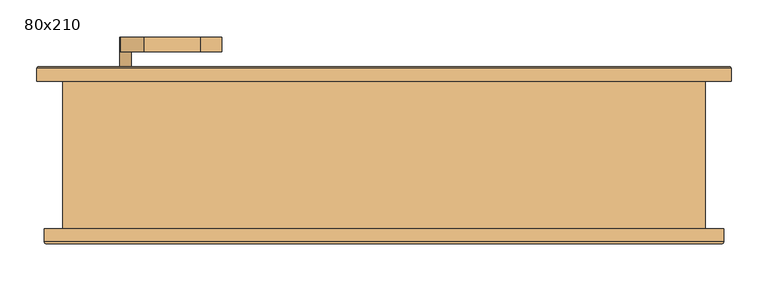
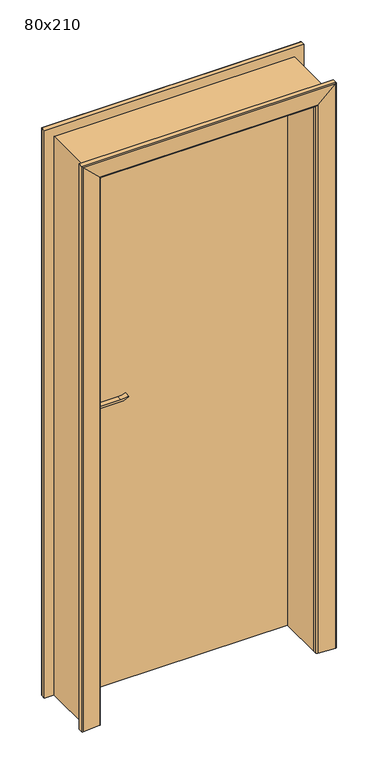
"""IFC4 building model written with IfcOpenShell, lengths in millimetres: door geometry, 80x210."""

from ifc_helpers import new_model, si_unit, point, frame, frame_2d, origin, origin_with_axes, place, context, project, spatial, polyline, circle_curve, ellipse_curve, trimmed, segment, composite_curve, outline, extrude, faceted_brep, source, transform, mapped, element, save
from ifc_brep_helpers import plane_surface, cylinder_surface, advanced_brep


def door_80x210_e9de2388(model_context):
    return source(origin(), model_context, "Body", "SolidModel", [
        extrude(outline(composite_curve([segment(trimmed(circle_curve(frame_2d((1040.0, -350.0)), 15.0), [point((1040.0, -335.0))], [point((1040.0, -365.0))], False, "CARTESIAN"), True, "CONTINUOUS"), segment(trimmed(circle_curve(frame_2d((1040.0, -350.0)), 15.0), [point((1040.0, -365.0))], [point((1040.0, -335.0))], False, "CARTESIAN"), True, "CONTINUOUS")], self_intersect=False)), frame((0.0, 45.0, 0.0), z_axis=(0.0, 1.0, 0.0), x_axis=(0.0, 0.0, 1.0)), (0.0, 0.0, 1.0), 10.0),
        extrude(outline(composite_curve([segment(trimmed(circle_curve(frame_2d((1040.0, -350.0)), 15.0), [point((1040.0, -335.0))], [point((1040.0, -365.0))], False, "CARTESIAN"), True, "CONTINUOUS"), segment(trimmed(circle_curve(frame_2d((1040.0, -350.0)), 15.0), [point((1040.0, -365.0))], [point((1040.0, -335.0))], False, "CARTESIAN"), True, "CONTINUOUS")], self_intersect=False)), frame((0.0, 110.0, 0.0), z_axis=(0.0, 1.0, 0.0), x_axis=(0.0, 0.0, 1.0)), (0.0, 0.0, 1.0), 10.0),
        extrude(outline(composite_curve([segment(trimmed(circle_curve(frame_2d((1100.0, -350.0)), 8.0), [point((1104.6523287, -356.5081363))], [point((1100.0, -342.0))], False, "CARTESIAN"), True, "CONTINUOUS"), segment(trimmed(circle_curve(frame_2d((1094.8738613, -324.6138099)), 18.1261387), [point((1100.0, -342.0))], [point((1113.0, -324.6138099))], True, "CARTESIAN"), True, "CONTINUOUS"), segment(polyline([(1113.0, -324.6138099), (1113.0, -248.3564091)]), True, "CONTINUOUS"), segment(trimmed(circle_curve(frame_2d((1172.2709207, -251.9396612)), 59.3791355), [point((1113.0, -248.3564091))], [point((1122.2135558, -220.0))], False, "CARTESIAN"), True, "CONTINUOUS"), segment(polyline([(1122.2135558, -220.0), (1125.0, -220.0)]), True, "CONTINUOUS"), segment(trimmed(circle_curve(frame_2d((1203.2850638, -248.4227909)), 83.2850902), [point((1125.0, -220.0))], [point((1120.0, -248.3564091))], True, "CARTESIAN"), True, "CONTINUOUS"), segment(polyline([(1120.0, -248.3564091), (1120.0, -324.6325667)]), True, "CONTINUOUS"), segment(trimmed(circle_curve(frame_2d((1082.7555521, -326.3324871)), 37.2832219), [point((1120.0, -324.6325667))], [point((1104.6523287, -356.5081363))], False, "CARTESIAN"), True, "CONTINUOUS")], self_intersect=False)), frame((0.0, 5.0, 0.0), z_axis=(0.0, 1.0, 0.0), x_axis=(0.0, 0.0, 1.0)), (0.0, 0.0, 1.0), 20.0),
        extrude(outline(composite_curve([segment(trimmed(circle_curve(frame_2d((1094.8738682, -324.6138122)), 18.1261318), [point((1099.9999903, -342.0))], [point((1113.0, -324.6138122))], True, "CARTESIAN"), True, "CONTINUOUS"), segment(polyline([(1113.0, -324.6138122), (1113.0, -248.3564091)]), True, "CONTINUOUS"), segment(trimmed(circle_curve(frame_2d((1172.2709207, -251.9396612)), 59.3791355), [point((1113.0, -248.3564091))], [point((1122.2135558, -220.0))], False, "CARTESIAN"), True, "CONTINUOUS"), segment(polyline([(1122.2135558, -220.0), (1125.0, -220.0)]), True, "CONTINUOUS"), segment(trimmed(circle_curve(frame_2d((1203.2850638, -248.4227909)), 83.2850902), [point((1125.0, -220.0))], [point((1120.0, -248.3564091))], True, "CARTESIAN"), True, "CONTINUOUS"), segment(polyline([(1120.0, -248.3564091), (1120.0, -324.6325667)]), True, "CONTINUOUS"), segment(trimmed(circle_curve(frame_2d((1082.7555521, -326.3324871)), 37.2832219), [point((1120.0, -324.6325667))], [point((1104.6523287, -356.5081363))], False, "CARTESIAN"), True, "CONTINUOUS"), segment(trimmed(circle_curve(frame_2d((1100.0, -350.0)), 8.0), [point((1104.6523287, -356.5081363))], [point((1099.9999903, -342.0))], False, "CARTESIAN"), True, "CONTINUOUS")], self_intersect=False)), frame((0.0, 140.0, 0.0), z_axis=(0.0, 1.0, 0.0), x_axis=(0.0, 0.0, 1.0)), (0.0, 0.0, 1.0), 20.0),
        extrude(outline(composite_curve([segment(trimmed(circle_curve(frame_2d((1100.0, -350.0)), 8.0), [point((1100.0, -342.0))], [point((1100.0, -358.0))], False, "CARTESIAN"), True, "CONTINUOUS"), segment(trimmed(circle_curve(frame_2d((1100.0, -350.0)), 8.0), [point((1100.0, -358.0))], [point((1100.0, -342.0))], False, "CARTESIAN"), True, "CONTINUOUS")], self_intersect=False)), frame((0.0, 25.0, 0.0), z_axis=(0.0, 1.0, 0.0), x_axis=(0.0, 0.0, 1.0)), (0.0, 0.0, 1.0), 30.0),
        extrude(outline(composite_curve([segment(trimmed(circle_curve(frame_2d((1100.0, -350.0)), 8.0), [point((1100.0, -342.0))], [point((1100.0, -358.0))], False, "CARTESIAN"), True, "CONTINUOUS"), segment(trimmed(circle_curve(frame_2d((1100.0, -350.0)), 8.0), [point((1100.0, -358.0))], [point((1100.0, -342.0))], False, "CARTESIAN"), True, "CONTINUOUS")], self_intersect=False)), frame((0.0, 110.0, 0.0), z_axis=(0.0, 1.0, 0.0), x_axis=(0.0, 0.0, 1.0)), (0.0, 0.0, 1.0), 30.0),
        extrude(outline(composite_curve([segment(trimmed(circle_curve(frame_2d((1030.0, -350.0)), 25.0), [point((1030.0, -375.0))], [point((1030.0, -325.0))], False, "CARTESIAN"), True, "CONTINUOUS"), segment(polyline([(1030.0, -325.0), (1100.0, -325.0)]), True, "CONTINUOUS"), segment(trimmed(circle_curve(frame_2d((1100.0, -350.0)), 25.0), [point((1100.0, -325.0))], [point((1100.0, -375.0))], False, "CARTESIAN"), True, "CONTINUOUS"), segment(polyline([(1100.0, -375.0), (1030.0, -375.0)]), True, "CONTINUOUS")], self_intersect=False)), frame((0.0, 55.0, 0.0), z_axis=(0.0, 1.0, 0.0), x_axis=(0.0, 0.0, 1.0)), (0.0, 0.0, 1.0), 10.0),
        extrude(outline(composite_curve([segment(trimmed(circle_curve(frame_2d((1030.0, -350.0)), 25.0), [point((1030.0, -375.0))], [point((1030.0, -325.0))], False, "CARTESIAN"), True, "CONTINUOUS"), segment(polyline([(1030.0, -325.0), (1100.0, -325.0)]), True, "CONTINUOUS"), segment(trimmed(circle_curve(frame_2d((1100.0, -350.0)), 25.0), [point((1100.0, -325.0))], [point((1100.0, -375.0))], False, "CARTESIAN"), True, "CONTINUOUS"), segment(polyline([(1100.0, -375.0), (1030.0, -375.0)]), True, "CONTINUOUS")], self_intersect=False)), frame((0.0, 100.0, 0.0), z_axis=(0.0, 1.0, 0.0), x_axis=(0.0, 0.0, 1.0)), (0.0, 0.0, 1.0), 10.0),
        extrude(outline(polyline([(400.0, 65.0), (-400.0, 65.0), (-400.0, 100.0), (400.0, 100.0), (400.0, 65.0)])), origin_with_axes(), (0.0, 0.0, 1.0), 2100.0),
        advanced_brep(
        [(460.0, -100.0, 0.0), (460.0, -117.3003068, 0.0), (457.3082588, -119.792943, 0.0), (395.0, -115.0, 0.0), (390.0, -110.0, 0.0), (390.0, -100.0, 0.0), (390.0, -100.0, 2090.0), (-390.0, -100.0, 2090.0), (-390.0, -100.0, 0.0), (-460.0, -100.0, 0.0), (-460.0, -100.0, 2160.0), (460.0, -100.0, 2160.0), (390.0, -110.0, 2090.0), (395.0, -115.0, 2095.0), (457.3082588, -119.792943, 2157.3082588), (460.0, -117.3003068, 2160.0), (-460.0, -117.3003068, 0.0), (-460.0, -117.3003068, 2160.0), (-390.0, -110.0, 0.0), (-395.0, -115.0, 0.0), (-457.3082588, -119.792943, 0.0), (-390.0, -110.0, 2090.0), (-457.3082588, -119.792943, 2157.3082588), (-395.0, -115.0, 2095.0)],
        [
            (0, 1),
            (1, 2, circle_curve(frame((457.5, -117.3003068, 0.0), z_axis=(0.0, 0.0, -1.0), x_axis=(0.0, -1.0, 0.0)), 2.5)),
            (2, 3),
            (3, 4, circle_curve(frame((395.0, -110.0, 0.0), z_axis=(0.0, 0.0, -1.0), x_axis=(0.0, -1.0, 0.0)), 5.0)),
            (4, 5),
            (5, 0),
            (5, 6),
            (6, 7),
            (7, 8),
            (8, 9),
            (9, 10),
            (10, 11),
            (11, 0),
            (4, 12),
            (12, 6),
            (3, 13),
            (13, 12, ellipse_curve(frame((395.0, -110.0, 2095.0), z_axis=(0.7071067811865475, 0.0, -0.7071067811865475), x_axis=(-0.7071067811865474, 0.0, -0.7071067811865476)), 7.0710678, 5.0)),
            (2, 14),
            (14, 13),
            (1, 15),
            (15, 14, ellipse_curve(frame((457.5, -117.3003068, 2157.5), z_axis=(0.7071067811865475, 0.0, -0.7071067811865475), x_axis=(-0.7071067811865474, 0.0, -0.7071067811865476)), 3.5355339, 2.5)),
            (11, 15),
            (9, 16),
            (16, 17),
            (17, 10),
            (8, 18),
            (18, 19, circle_curve(frame((-395.0, -110.0, 0.0), z_axis=(0.0, 0.0, -1.0), x_axis=(0.0, -1.0, 0.0)), 5.0)),
            (19, 20),
            (20, 16, circle_curve(frame((-457.5, -117.3003068, 0.0), z_axis=(0.0, 0.0, -1.0), x_axis=(0.0, -1.0, 0.0)), 2.5)),
            (21, 18),
            (7, 21),
            (20, 22),
            (22, 17, ellipse_curve(frame((-457.5, -117.3003068, 2157.5), z_axis=(-0.7071067811865475, 0.0, -0.7071067811865475), x_axis=(-0.7071067811865474, 0.0, 0.7071067811865476)), 3.5355339, 2.5)),
            (19, 23),
            (23, 22),
            (21, 23, ellipse_curve(frame((-395.0, -110.0, 2095.0), z_axis=(-0.7071067811865475, 0.0, -0.7071067811865475), x_axis=(-0.7071067811865474, 0.0, 0.7071067811865476)), 7.0710678, 5.0)),
            (12, 21),
            (13, 23),
            (14, 22),
            (15, 17),
        ],
        [
            plane_surface(frame((390.0, -100.0, 0.0), z_axis=(0.0, 0.0, -1.0), x_axis=(-1.0, 0.0, 0.0))),
            plane_surface(frame((460.0, -100.0, 0.0), z_axis=(0.0, 1.0, 0.0), x_axis=(0.0, 0.0, 1.0))),
            plane_surface(frame((390.0, -100.0, 0.0), z_axis=(-1.0, 0.0, 0.0), x_axis=(0.0, 0.0, 1.0))),
            cylinder_surface(frame((395.0, -110.0, 0.0), z_axis=(0.0, 0.0, -1.0), x_axis=(0.0, -1.0, 0.0)), 5.0),
            plane_surface(frame((395.0, -115.0, 0.0), z_axis=(-0.07669649888474349, -0.9970544855015812, 0.0), x_axis=(0.0, 0.0, 1.0))),
            cylinder_surface(frame((457.5, -117.3003068, 0.0), z_axis=(0.0, 0.0, -1.0), x_axis=(0.0, -1.0, 0.0)), 2.5),
            plane_surface(frame((460.0, -117.3003068, 0.0), z_axis=(1.0, 0.0, 0.0), x_axis=(0.0, 0.0, 1.0))),
            plane_surface(frame((-460.0, -117.3003068, 2160.0), z_axis=(-1.0, 0.0, 0.0), x_axis=(0.0, 0.0, -1.0))),
            plane_surface(frame((-390.0, -100.0, 0.0), z_axis=(0.0, 0.0, -1.0), x_axis=(1.0, 0.0, 0.0))),
            plane_surface(frame((-390.0, -100.0, 2090.0), z_axis=(1.0, 0.0, 0.0), x_axis=(0.0, 0.0, -1.0))),
            cylinder_surface(frame((-457.5, -117.3003068, 2090.0), z_axis=(0.0, 0.0, 1.0), x_axis=(0.0, -1.0, 0.0)), 2.5),
            plane_surface(frame((-395.0, -115.0, 2095.0), z_axis=(0.07669649888474349, -0.9970544855015812, 0.0), x_axis=(0.0, 0.0, -1.0))),
            cylinder_surface(frame((-395.0, -110.0, 2090.0), z_axis=(0.0, 0.0, 1.0), x_axis=(0.0, -1.0, 0.0)), 5.0),
            plane_surface(frame((390.0, -100.0, 2090.0), z_axis=(0.0, 0.0, -1.0), x_axis=(-1.0, 0.0, 0.0))),
            cylinder_surface(frame((390.0, -110.0, 2095.0), z_axis=(1.0, 0.0, 0.0), x_axis=(0.0, -1.0, 0.0)), 5.0),
            plane_surface(frame((395.0, -115.0, 2095.0), z_axis=(0.0, -0.9970544855015812, -0.07669649888474349), x_axis=(-1.0, 0.0, 0.0))),
            cylinder_surface(frame((390.0, -117.3003068, 2157.5), z_axis=(1.0, 0.0, 0.0), x_axis=(0.0, -1.0, 0.0)), 2.5),
            plane_surface(frame((460.0, -117.3003068, 2160.0), z_axis=(0.0, 0.0, 1.0), x_axis=(-1.0, 0.0, 0.0))),
        ],
        [
            (0, [[1, 2, 3, 4, 5, 6]]),
            (1, [[7, 8, 9, 10, 11, 12, 13, -6]]),
            (2, [[14, 15, -7, -5]]),
            (3, [[16, 17, -14, -4]]),
            (4, [[18, 19, -16, -3]]),
            (5, [[20, 21, -18, -2]]),
            (6, [[-13, 22, -20, -1]]),
            (7, [[-11, 23, 24, 25]]),
            (8, [[-10, 26, 27, 28, 29, -23]]),
            (9, [[30, -26, -9, 31]]),
            (10, [[-24, -29, 32, 33]]),
            (11, [[-32, -28, 34, 35]]),
            (12, [[-34, -27, -30, 36]]),
            (13, [[37, -31, -8, -15]]),
            (14, [[38, -36, -37, -17]]),
            (15, [[39, -35, -38, -19]]),
            (16, [[40, -33, -39, -21]]),
            (17, [[-12, -25, -40, -22]]),
        ],
    ),
        advanced_brep(
        [(470.0, 100.0, 0.0), (400.0, 100.0, 0.0), (400.0, 110.0, 0.0), (405.0, 115.0, 0.0), (467.3082588, 119.792943, 0.0), (470.0, 117.3003068, 0.0), (470.0, 117.3003068, 2170.0), (470.0, 100.0, 2170.0), (467.3082588, 119.792943, 2167.3082588), (405.0, 115.0, 2105.0), (400.0, 110.0, 2100.0), (400.0, 100.0, 2100.0), (-470.0, 100.0, 2170.0), (-470.0, 100.0, 0.0), (-400.0, 100.0, 0.0), (-400.0, 100.0, 2100.0), (-400.0, 110.0, 0.0), (-400.0, 110.0, 2100.0), (-470.0, 117.3003068, 0.0), (-467.3082588, 119.792943, 0.0), (-405.0, 115.0, 0.0), (-470.0, 117.3003068, 2170.0), (-405.0, 115.0, 2105.0), (-467.3082588, 119.792943, 2167.3082588)],
        [
            (0, 1),
            (1, 2),
            (2, 3, circle_curve(frame((405.0, 110.0, 0.0), z_axis=(0.0, 0.0, -1.0), x_axis=(0.0, 1.0, 0.0)), 5.0)),
            (3, 4),
            (4, 5, circle_curve(frame((467.5, 117.3003068, 0.0), z_axis=(0.0, 0.0, -1.0), x_axis=(0.0, 1.0, 0.0)), 2.5)),
            (5, 0),
            (5, 6),
            (6, 7),
            (7, 0),
            (4, 8),
            (8, 6, ellipse_curve(frame((467.5, 117.3003068, 2167.5), z_axis=(0.7071067811865474, 0.0, -0.7071067811865476), x_axis=(-0.7071067811865475, 0.0, -0.7071067811865475)), 3.5355339, 2.5)),
            (3, 9),
            (9, 8),
            (2, 10),
            (10, 9, ellipse_curve(frame((405.0, 110.0, 2105.0), z_axis=(0.7071067811865474, 0.0, -0.7071067811865476), x_axis=(-0.7071067811865475, 0.0, -0.7071067811865475)), 7.0710678, 5.0)),
            (1, 11),
            (11, 10),
            (7, 12),
            (12, 13),
            (13, 14),
            (14, 15),
            (15, 11),
            (14, 16),
            (16, 17),
            (17, 15),
            (13, 18),
            (18, 19, circle_curve(frame((-467.5, 117.3003068, 0.0), z_axis=(0.0, 0.0, -1.0), x_axis=(0.0, 1.0, 0.0)), 2.5)),
            (19, 20),
            (20, 16, circle_curve(frame((-405.0, 110.0, 0.0), z_axis=(0.0, 0.0, -1.0), x_axis=(0.0, 1.0, 0.0)), 5.0)),
            (21, 18),
            (12, 21),
            (20, 22),
            (22, 17, ellipse_curve(frame((-405.0, 110.0, 2105.0), z_axis=(-0.7071067811865476, 0.0, -0.7071067811865474), x_axis=(-0.7071067811865471, 0.0, 0.7071067811865478)), 7.0710678, 5.0)),
            (19, 23),
            (23, 22),
            (21, 23, ellipse_curve(frame((-467.5, 117.3003068, 2167.5), z_axis=(-0.7071067811865476, 0.0, -0.7071067811865474), x_axis=(-0.7071067811865471, 0.0, 0.7071067811865478)), 3.5355339, 2.5)),
            (6, 21),
            (8, 23),
            (9, 22),
            (10, 17),
        ],
        [
            plane_surface(frame((400.0, 100.0, 0.0), z_axis=(0.0, 0.0, -1.0), x_axis=(-1.0, 0.0, 0.0))),
            plane_surface(frame((470.0, 100.0, 0.0), z_axis=(1.0, 0.0, 0.0), x_axis=(0.0, 0.0, 1.0))),
            cylinder_surface(frame((467.5, 117.3003068, 0.0), z_axis=(0.0, 0.0, -1.0), x_axis=(0.0, 1.0, 0.0)), 2.5),
            plane_surface(frame((467.3082588, 119.792943, 0.0), z_axis=(-0.07669649888474349, 0.9970544855015812, 0.0), x_axis=(0.0, 0.0, 1.0))),
            cylinder_surface(frame((405.0, 110.0, 0.0), z_axis=(0.0, 0.0, -1.0), x_axis=(0.0, 1.0, 0.0)), 5.0),
            plane_surface(frame((400.0, 110.0, 0.0), z_axis=(-1.0, 0.0, 0.0), x_axis=(0.0, 0.0, 1.0))),
            plane_surface(frame((400.0, 100.0, 0.0), z_axis=(0.0, -1.0, 0.0), x_axis=(0.0, 0.0, 1.0))),
            plane_surface(frame((-400.0, 110.0, 2100.0), z_axis=(1.0, 0.0, 0.0), x_axis=(0.0, 0.0, -1.0))),
            plane_surface(frame((-400.0, 100.0, 0.0), z_axis=(0.0, 0.0, -1.0), x_axis=(1.0, 0.0, 0.0))),
            plane_surface(frame((-470.0, 100.0, 2170.0), z_axis=(-1.0, 0.0, 0.0), x_axis=(0.0, 0.0, -1.0))),
            cylinder_surface(frame((-405.0, 110.0, 2100.0), z_axis=(0.0, 0.0, 1.0), x_axis=(0.0, 1.0, 0.0)), 5.0),
            plane_surface(frame((-467.3082588, 119.792943, 2167.3082588), z_axis=(0.07669649888474349, 0.9970544855015812, 0.0), x_axis=(0.0, 0.0, -1.0))),
            cylinder_surface(frame((-467.5, 117.3003068, 2100.0), z_axis=(0.0, 0.0, 1.0), x_axis=(0.0, 1.0, 0.0)), 2.5),
            plane_surface(frame((470.0, 100.0, 2170.0), z_axis=(0.0, 0.0, 1.0), x_axis=(-1.0, 0.0, 0.0))),
            cylinder_surface(frame((400.0, 117.3003068, 2167.5), z_axis=(1.0, 0.0, 0.0), x_axis=(0.0, 1.0, 0.0)), 2.5),
            plane_surface(frame((467.3082588, 119.792943, 2167.3082588), z_axis=(0.0, 0.9970544855015812, -0.07669649888474349), x_axis=(-1.0, 0.0, 0.0))),
            cylinder_surface(frame((400.0, 110.0, 2105.0), z_axis=(1.0, 0.0, 0.0), x_axis=(0.0, 1.0, 0.0)), 5.0),
            plane_surface(frame((400.0, 110.0, 2100.0), z_axis=(0.0, 0.0, -1.0), x_axis=(-1.0, 0.0, 0.0))),
        ],
        [
            (0, [[1, 2, 3, 4, 5, 6]]),
            (1, [[7, 8, 9, -6]]),
            (2, [[10, 11, -7, -5]]),
            (3, [[12, 13, -10, -4]]),
            (4, [[14, 15, -12, -3]]),
            (5, [[16, 17, -14, -2]]),
            (6, [[-9, 18, 19, 20, 21, 22, -16, -1]]),
            (7, [[-21, 23, 24, 25]]),
            (8, [[26, 27, 28, 29, -23, -20]]),
            (9, [[30, -26, -19, 31]]),
            (10, [[-24, -29, 32, 33]]),
            (11, [[-32, -28, 34, 35]]),
            (12, [[-34, -27, -30, 36]]),
            (13, [[37, -31, -18, -8]]),
            (14, [[38, -36, -37, -11]]),
            (15, [[39, -35, -38, -13]]),
            (16, [[40, -33, -39, -15]]),
            (17, [[-22, -25, -40, -17]]),
        ],
    ),
        faceted_brep([(390.0, -100.0, 0.0), (390.0, 65.0, 0.0), (400.0, 65.0, 0.0), (400.0, 100.0, 0.0), (435.0, 100.0, 0.0), (435.0, -100.0, 0.0), (435.0, -100.0, 2135.0), (-435.0, -100.0, 2135.0), (-435.0, -100.0, 0.0), (-390.0, -100.0, 0.0), (-390.0, -100.0, 2090.0), (390.0, -100.0, 2090.0), (435.0, 100.0, 2135.0), (400.0, 100.0, 2100.0), (-400.0, 100.0, 2100.0), (-400.0, 100.0, 0.0), (-435.0, 100.0, 0.0), (-435.0, 100.0, 2135.0), (400.0, 65.0, 2100.0), (390.0, 65.0, 2090.0), (-390.0, 65.0, 2090.0), (-390.0, 65.0, 0.0), (-400.0, 65.0, 0.0), (-400.0, 65.0, 2100.0)], [[[0, 1, 2, 3, 4, 5]], [[5, 6, 7, 8, 9, 10, 11, 0]], [[4, 12, 6, 5]], [[3, 13, 14, 15, 16, 17, 12, 4]], [[2, 18, 13, 3]], [[1, 19, 20, 21, 22, 23, 18, 2]], [[0, 11, 19, 1]], [[10, 9, 21, 20]], [[9, 8, 16, 15, 22, 21]], [[17, 16, 8, 7]], [[23, 22, 15, 14]], [[12, 17, 7, 6]], [[18, 23, 14, 13]], [[11, 10, 20, 19]]]),
    ])


if __name__ == "__main__":
    model = new_model("IFC4")
    model_context = context("Model", 3, world=origin())
    ifc_project = project(units=[si_unit("LENGTHUNIT", "METRE", prefix="MILLI")], contexts=[model_context])
    site = spatial("IfcSite", under=ifc_project)
    building = spatial("IfcBuilding", under=site)
    placement = place(None, origin())
    door_80x210_shape = door_80x210_e9de2388(model_context)
    element("IfcDoor", 1, ObjectType="80x210", at=placement, inside=building, context=model_context, shape_type="MappedRepresentation", body=[
        mapped(door_80x210_shape, transform((0.0, 0.0, 0.0), x_axis=(1.0, 0.0, 0.0), y_axis=(0.0, 1.0, 0.0), z_axis=(0.0, 0.0, 1.0))),
    ])
    save(model, "model.ifc")
